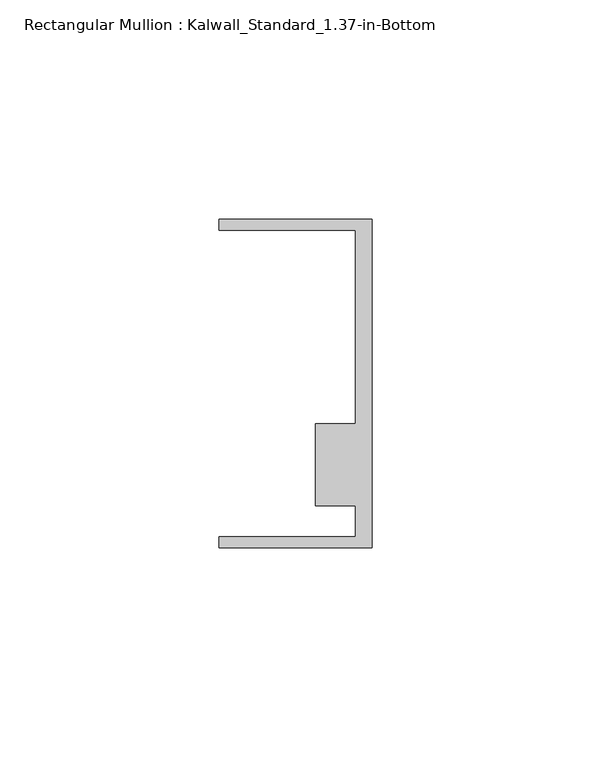
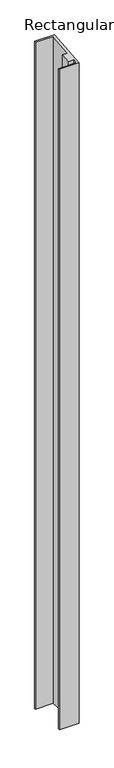
"""IFC4 building model written with IfcOpenShell, lengths in millimetres: member geometry, Rectangular Mullion : Kalwall_Standard_1.37-in-Bottom."""

from ifc_helpers import new_model, si_unit, origin, place, context, project, spatial, faceted_brep, source, transform, mapped, element, save


def rectangular_mullion_kalwall_standard_1_37_in_bottom_1c1e99bf(model_context):
    return source(origin(), model_context, "Body", "Brep", [
        faceted_brep([(0.0, 37.5023614, 3.2973479), (0.0, -37.5776386, -3.3039666), (0.0, -37.5776386, -1231.9255328), (0.0, 37.5023614, -1238.4719037), (-34.925, 37.5023614, 3.2973479), (-34.925, 37.5023614, -1238.4719037), (-34.925, 34.9623614, 3.0740216), (-34.925, 34.9623614, -1238.2504362), (-3.7084, 34.9623614, 3.0740216), (-3.7084, 34.9623614, -1238.2504362), (-3.7084, -9.1879886, -0.8078423), (-3.7084, -9.1879886, -1234.4008814), (-12.8272539, -9.1879886, -0.8078423), (-12.8272539, -9.1879886, -1234.4008814), (-12.8272539, -27.8888568, -2.4520926), (-12.8272539, -27.8888568, -1232.7703164), (-3.7084, -27.8888568, -2.4520926), (-3.7084, -27.8888568, -1232.7703164), (-3.7084, -35.0376386, -3.0806403), (-3.7084, -35.0376386, -1232.1470003), (-34.925, -35.0376386, -3.0806403), (-34.925, -35.0376386, -1232.1470003), (-34.925, -37.5776386, -3.3039666), (-34.925, -37.5776386, -1231.9255328)], [[[0, 1, 2, 3]], [[4, 0, 3, 5]], [[6, 4, 5, 7]], [[8, 6, 7, 9]], [[10, 8, 9, 11]], [[12, 10, 11, 13]], [[14, 12, 13, 15]], [[16, 14, 15, 17]], [[18, 16, 17, 19]], [[20, 18, 19, 21]], [[22, 20, 21, 23]], [[1, 22, 23, 2]], [[1, 0, 4, 6, 8, 10, 12, 14, 16, 18, 20, 22]], [[2, 23, 21, 19, 17, 15, 13, 11, 9, 7, 5, 3]]]),
    ])


if __name__ == "__main__":
    model = new_model("IFC4")
    model_context = context("Model", 3, world=origin())
    ifc_project = project(units=[si_unit("LENGTHUNIT", "METRE", prefix="MILLI")], contexts=[model_context])
    site = spatial("IfcSite", under=ifc_project)
    building = spatial("IfcBuilding", under=site)
    placement = place(None, origin())
    rectangular_mullion_kalwall_standard_1_37_in_bottom_shape = rectangular_mullion_kalwall_standard_1_37_in_bottom_1c1e99bf(model_context)
    element("IfcMember", 1, ObjectType="Rectangular Mullion : Kalwall_Standard_1.37-in-Bottom", at=placement, inside=building, context=model_context, shape_type="MappedRepresentation", body=[
        mapped(rectangular_mullion_kalwall_standard_1_37_in_bottom_shape, transform((0.0, 0.0, 0.0), x_axis=(1.0, 0.0, 0.0), y_axis=(0.0, 1.0, 0.0), z_axis=(0.0, 0.0, 1.0))),
    ])
    save(model, "model.ifc")
